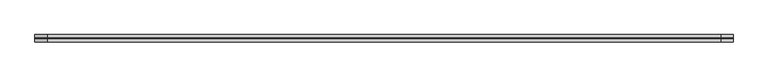
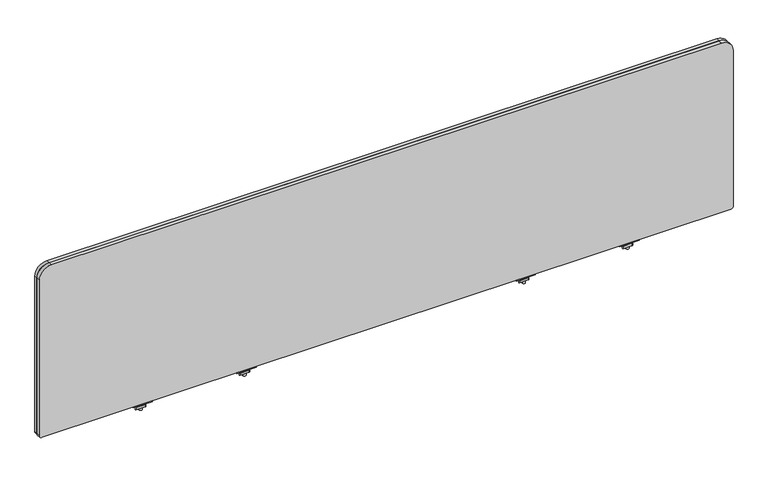
"""IFC4 building model written with IfcOpenShell, lengths in millimetres: furniture geometry."""

from ifc_helpers import new_model, si_unit, frame, origin, place, context, project, spatial, polyline, circle_curve, source, transform, mapped, element, save
from ifc_brep_helpers import plane_surface, cylinder_surface, revolved_surface, advanced_brep


def furniture_3d24dec9(model_context):
    return source(origin(), model_context, "Body", "AdvancedBrep", [
        advanced_brep(
        [(572.3633004, -29.196837, 670.6616072), (572.3633004, -33.5530914, 671.3021931), (572.3633004, -43.8905804, 671.3021931), (572.3633004, -48.246837, 670.6616072), (572.3633004, -48.246837, 668.8074326), (572.3633004, -29.196837, 668.8074326), (521.5633035, -29.196837, 670.6616072), (521.5633035, -29.196837, 668.8074326), (521.5633035, -48.246837, 668.8074326), (521.5633035, -48.246837, 670.6616072), (521.5633035, -43.8905804, 671.3021931), (521.5633035, -33.5530914, 671.3021931), (542.8705233, -38.7342719, 668.8074326), (550.8534767, -38.7342719, 668.8074326), (550.8534767, -38.7342719, 671.3021931), (542.8705233, -38.7342719, 671.3021931), (542.8705233, -38.7342719, 650.2879234), (550.8534767, -38.7342719, 650.2879234), (542.8705233, -38.7342719, 676.3883652), (550.8534767, -38.7342719, 676.3883652), (542.8705233, -38.7342719, 665.4211567), (550.8534767, -38.7342719, 665.4211567), (550.8534767, -38.7342719, 659.0711809), (542.8705233, -38.7342719, 659.0711809), (536.5459918, -33.0068357, 665.4211567), (530.3868209, -43.6748356, 665.4211567), (531.7066433, -45.9608347, 665.4211567), (554.7392346, -45.9608347, 665.4211567), (557.3788771, -44.4368361, 665.4211567), (563.5380487, -33.7688351, 665.4211567), (562.2182256, -31.4828349, 665.4211567), (539.1856383, -31.4828349, 665.4211567), (536.5459918, -33.0068357, 659.0711809), (539.1856383, -31.4828349, 659.0711809), (562.2182256, -31.4828349, 659.0711809), (563.5380487, -33.7688351, 659.0711809), (557.3788771, -44.4368361, 659.0711809), (554.7392346, -45.9608347, 659.0711809), (531.7066433, -45.9608347, 659.0711809), (530.3868209, -43.6748356, 659.0711809)],
        [
            (0, 1),
            (1, 2),
            (2, 3),
            (3, 4),
            (4, 5),
            (5, 0),
            (6, 7),
            (7, 8),
            (8, 9),
            (9, 10),
            (10, 11),
            (11, 6),
            (5, 7),
            (6, 0),
            (4, 8),
            (12, 13, circle_curve(frame((546.862, -38.7342719, 668.8074326), z_axis=(0.0, 0.0, 1.0), x_axis=(1.0, 0.0, 0.0)), 3.9914767)),
            (13, 12, circle_curve(frame((546.862, -38.7342719, 668.8074326), z_axis=(0.0, 0.0, 1.0), x_axis=(1.0, 0.0, 0.0)), 3.9914767)),
            (3, 9),
            (2, 10),
            (1, 11),
            (14, 15, circle_curve(frame((546.862, -38.7342719, 671.3021931), z_axis=(0.0, 0.0, -1.0), x_axis=(1.0, 0.0, 0.0)), 3.9914767)),
            (15, 14, circle_curve(frame((546.862, -38.7342719, 671.3021931), z_axis=(0.0, 0.0, -1.0), x_axis=(1.0, 0.0, 0.0)), 3.9914767)),
            (16, 17, circle_curve(frame((546.862, -38.7342719, 650.2879234), z_axis=(0.0, 0.0, -1.0), x_axis=(1.0, 0.0, 0.0)), 3.9914767)),
            (17, 16, circle_curve(frame((546.862, -38.7342719, 650.2879234), z_axis=(0.0, 0.0, -1.0), x_axis=(1.0, 0.0, 0.0)), 3.9914767)),
            (18, 19, circle_curve(frame((546.862, -38.7342719, 676.3883652), z_axis=(0.0, 0.0, 1.0), x_axis=(1.0, 0.0, 0.0)), 3.9914767)),
            (19, 18, circle_curve(frame((546.862, -38.7342719, 676.3883652), z_axis=(0.0, 0.0, 1.0), x_axis=(1.0, 0.0, 0.0)), 3.9914767)),
            (12, 20),
            (20, 21, circle_curve(frame((546.862, -38.7342719, 665.4211567), z_axis=(0.0, 0.0, 1.0), x_axis=(1.0, 0.0, 0.0)), 3.9914767)),
            (21, 13),
            (17, 22),
            (22, 23, circle_curve(frame((546.862, -38.7342719, 659.0711809), z_axis=(0.0, 0.0, -1.0), x_axis=(1.0, 0.0, 0.0)), 3.9914767)),
            (23, 16),
            (18, 15),
            (14, 19),
            (21, 20, circle_curve(frame((546.862, -38.7342719, 665.4211567), z_axis=(0.0, 0.0, 1.0), x_axis=(1.0, 0.0, 0.0)), 3.9914767)),
            (23, 22, circle_curve(frame((546.862, -38.7342719, 659.0711809), z_axis=(0.0, 0.0, -1.0), x_axis=(1.0, 0.0, 0.0)), 3.9914767)),
            (24, 25),
            (25, 26, circle_curve(frame((531.7066433, -44.4368352, 665.4211567), z_axis=(0.0, 0.0, 1.0), x_axis=(1.0, 0.0, 0.0)), 1.5239995)),
            (26, 27),
            (27, 28, circle_curve(frame((554.7392346, -42.9128382, 665.4211567), z_axis=(0.0, 0.0, 1.0), x_axis=(1.0, 0.0, 0.0)), 3.0479965)),
            (28, 29),
            (29, 30, circle_curve(frame((562.2182256, -33.0068351, 665.4211567), z_axis=(0.0, 0.0, 1.0), x_axis=(1.0, 0.0, 0.0)), 1.5240003)),
            (30, 31),
            (31, 24, circle_curve(frame((539.1856383, -34.5308359, 665.4211567), z_axis=(0.0, 0.0, 1.0), x_axis=(1.0, 0.0, 0.0)), 3.048001)),
            (32, 33, circle_curve(frame((539.1856383, -34.5308359, 659.0711809), z_axis=(0.0, 0.0, -1.0), x_axis=(1.0, 0.0, 0.0)), 3.048001)),
            (33, 34),
            (34, 35, circle_curve(frame((562.2182256, -33.0068351, 659.0711809), z_axis=(0.0, 0.0, -1.0), x_axis=(1.0, 0.0, 0.0)), 1.5240003)),
            (35, 36),
            (36, 37, circle_curve(frame((554.7392346, -42.9128382, 659.0711809), z_axis=(0.0, 0.0, -1.0), x_axis=(1.0, 0.0, 0.0)), 3.0479965)),
            (37, 38),
            (38, 39, circle_curve(frame((531.7066433, -44.4368352, 659.0711809), z_axis=(0.0, 0.0, -1.0), x_axis=(1.0, 0.0, 0.0)), 1.5239995)),
            (39, 32),
            (24, 32),
            (39, 25),
            (38, 26),
            (37, 27),
            (36, 28),
            (35, 29),
            (34, 30),
            (33, 31),
        ],
        [
            plane_surface(frame((572.3633004, -33.5530914, 671.3021931), z_axis=(1.0000000000000002, 0.0, 0.0), x_axis=(0.0, -0.9893604345476915, 0.14548515577749913))),
            plane_surface(frame((521.5633035, -33.5530914, 671.3021931), z_axis=(-1.0000000000000002, 0.0, 0.0), x_axis=(0.0, 0.9893604345476915, -0.14548515577749913))),
            plane_surface(frame((572.3633004, -29.196837, 668.8074326), z_axis=(0.0, 1.0, 0.0), x_axis=(-1.0, 0.0, 0.0))),
            plane_surface(frame((572.3633004, -48.246837, 668.8074326), z_axis=(0.0, 0.0, -1.0), x_axis=(-1.0, 0.0, 0.0))),
            plane_surface(frame((572.3633004, -48.246837, 670.6616072), z_axis=(0.0, -1.0, 0.0), x_axis=(-1.0, 0.0, 0.0))),
            plane_surface(frame((572.3633004, -43.8905804, 671.3021931), z_axis=(0.0, -0.1454850815406733, 0.9893604454641917), x_axis=(-1.0, 0.0, 0.0))),
            plane_surface(frame((572.3633004, -33.5530914, 671.3021931), z_axis=(0.0, 0.0, 1.0), x_axis=(-1.0, 0.0, 0.0))),
            plane_surface(frame((572.3633004, -29.196837, 670.6616072), z_axis=(0.0, 0.14548515577749913, 0.9893604345476915), x_axis=(-1.0, 0.0, 0.0))),
            plane_surface(frame((550.8534767, -38.7342719, 650.2879234), z_axis=(0.0, 0.0, -1.0), x_axis=(0.0, -1.0, 0.0))),
            plane_surface(frame((550.8534767, -38.7342719, 676.3883652), z_axis=(0.0, 0.0, 1.0), x_axis=(0.0, 1.0, 0.0))),
            cylinder_surface(frame((546.862, -38.7342719, 650.2879234), z_axis=(0.0, 0.0, 1.0), x_axis=(1.0, 0.0, 0.0)), 3.9914767),
            plane_surface(frame((530.3868201, -43.6748369, 665.4211567), z_axis=(0.0, 0.0, 1.0000000000000002), x_axis=(-0.4999998964528706, -0.8660254635673935, 0.0))),
            plane_surface(frame((530.3868201, -43.6748369, 659.0711809), z_axis=(0.0, 0.0, -1.0000000000000002), x_axis=(0.4999998964528706, 0.8660254635673935, 0.0))),
            plane_surface(frame((536.5459918, -33.0068357, 665.4211567), z_axis=(-0.8660254635673935, 0.4999998964528706, 0.0), x_axis=(0.0, 0.0, -1.0))),
            cylinder_surface(frame((531.7066433, -44.4368352, 659.0711809), z_axis=(0.0, 0.0, 1.0), x_axis=(1.0, 0.0, 0.0)), 1.5239995),
            plane_surface(frame((531.7066433, -45.9608347, 665.4211567), z_axis=(0.0, -1.0, 0.0), x_axis=(0.0, 0.0, -1.0))),
            cylinder_surface(frame((554.7392346, -42.9128382, 659.0711809), z_axis=(0.0, 0.0, 1.0), x_axis=(1.0, 0.0, 0.0)), 3.0479965),
            plane_surface(frame((557.3788771, -44.4368361, 665.4211567), z_axis=(0.8660254635674228, -0.4999998964528197, 0.0), x_axis=(0.0, 0.0, -1.0))),
            cylinder_surface(frame((562.2182256, -33.0068351, 659.0711809), z_axis=(0.0, 0.0, 1.0), x_axis=(1.0, 0.0, 0.0)), 1.5240003),
            plane_surface(frame((562.2182256, -31.4828349, 665.4211567), z_axis=(0.0, 1.0, 0.0), x_axis=(0.0, 0.0, -1.0))),
            cylinder_surface(frame((539.1856383, -34.5308359, 659.0711809), z_axis=(0.0, 0.0, 1.0), x_axis=(1.0, 0.0, 0.0)), 3.048001),
        ],
        [
            (0, [[1, 2, 3, 4, 5, 6]]),
            (1, [[7, 8, 9, 10, 11, 12]]),
            (2, [[-6, 13, -7, 14]]),
            (3, [[-5, 15, -8, -13], [16, 17]]),
            (4, [[-4, 18, -9, -15]]),
            (5, [[-3, 19, -10, -18]]),
            (6, [[-2, 20, -11, -19], [21, 22]]),
            (7, [[-1, -14, -12, -20]]),
            (8, [[23, 24]]),
            (9, [[25, 26]]),
            (10, [[-16, 27, 28, 29]]),
            (10, [[-24, 30, 31, 32]]),
            (10, [[-25, 33, -21, 34]]),
            (10, [[-17, -29, 35, -27]]),
            (10, [[-23, -32, 36, -30]]),
            (10, [[-26, -34, -22, -33]]),
            (11, [[37, 38, 39, 40, 41, 42, 43, 44], [-28, -35]]),
            (12, [[45, 46, 47, 48, 49, 50, 51, 52], [-31, -36]]),
            (13, [[-37, 53, -52, 54]]),
            (14, [[-38, -54, -51, 55]]),
            (15, [[-39, -55, -50, 56]]),
            (16, [[-40, -56, -49, 57]]),
            (17, [[-41, -57, -48, 58]]),
            (18, [[-42, -58, -47, 59]]),
            (19, [[-43, -59, -46, 60]]),
            (20, [[-44, -60, -45, -53]]),
        ],
    ),
        advanced_brep(
        [(1580.2353004, -29.196837, 670.6616072), (1580.2353004, -33.5530914, 671.3021931), (1580.2353004, -43.8905804, 671.3021931), (1580.2353004, -48.246837, 670.6616072), (1580.2353004, -48.246837, 668.8074326), (1580.2353004, -29.196837, 668.8074326), (1529.4353035, -29.196837, 670.6616072), (1529.4353035, -29.196837, 668.8074326), (1529.4353035, -48.246837, 668.8074326), (1529.4353035, -48.246837, 670.6616072), (1529.4353035, -43.8905804, 671.3021931), (1529.4353035, -33.5530914, 671.3021931), (1550.7425233, -38.7342719, 668.8074326), (1558.7254767, -38.7342719, 668.8074326), (1558.7254767, -38.7342719, 671.3021931), (1550.7425233, -38.7342719, 671.3021931), (1550.7425233, -38.7342719, 650.2879234), (1558.7254767, -38.7342719, 650.2879234), (1550.7425233, -38.7342719, 676.3883652), (1558.7254767, -38.7342719, 676.3883652), (1550.7425233, -38.7342719, 665.4211567), (1558.7254767, -38.7342719, 665.4211567), (1558.7254767, -38.7342719, 659.0711809), (1550.7425233, -38.7342719, 659.0711809), (1544.4179918, -33.0068357, 665.4211567), (1538.2588209, -43.6748356, 665.4211567), (1539.5786433, -45.9608347, 665.4211567), (1562.6112346, -45.9608347, 665.4211567), (1565.2508771, -44.4368361, 665.4211567), (1571.4100487, -33.7688351, 665.4211567), (1570.0902256, -31.4828349, 665.4211567), (1547.0576383, -31.4828349, 665.4211567), (1544.4179918, -33.0068357, 659.0711809), (1547.0576383, -31.4828349, 659.0711809), (1570.0902256, -31.4828349, 659.0711809), (1571.4100487, -33.7688351, 659.0711809), (1565.2508771, -44.4368361, 659.0711809), (1562.6112346, -45.9608347, 659.0711809), (1539.5786433, -45.9608347, 659.0711809), (1538.2588209, -43.6748356, 659.0711809)],
        [
            (0, 1),
            (1, 2),
            (2, 3),
            (3, 4),
            (4, 5),
            (5, 0),
            (6, 7),
            (7, 8),
            (8, 9),
            (9, 10),
            (10, 11),
            (11, 6),
            (5, 7),
            (6, 0),
            (4, 8),
            (12, 13, circle_curve(frame((1554.734, -38.7342719, 668.8074326), z_axis=(0.0, 0.0, 1.0), x_axis=(1.0, 0.0, 0.0)), 3.9914767)),
            (13, 12, circle_curve(frame((1554.734, -38.7342719, 668.8074326), z_axis=(0.0, 0.0, 1.0), x_axis=(1.0, 0.0, 0.0)), 3.9914767)),
            (3, 9),
            (2, 10),
            (1, 11),
            (14, 15, circle_curve(frame((1554.734, -38.7342719, 671.3021931), z_axis=(0.0, 0.0, -1.0), x_axis=(1.0, 0.0, 0.0)), 3.9914767)),
            (15, 14, circle_curve(frame((1554.734, -38.7342719, 671.3021931), z_axis=(0.0, 0.0, -1.0), x_axis=(1.0, 0.0, 0.0)), 3.9914767)),
            (16, 17, circle_curve(frame((1554.734, -38.7342719, 650.2879234), z_axis=(0.0, 0.0, -1.0), x_axis=(1.0, 0.0, 0.0)), 3.9914767)),
            (17, 16, circle_curve(frame((1554.734, -38.7342719, 650.2879234), z_axis=(0.0, 0.0, -1.0), x_axis=(1.0, 0.0, 0.0)), 3.9914767)),
            (18, 19, circle_curve(frame((1554.734, -38.7342719, 676.3883652), z_axis=(0.0, 0.0, 1.0), x_axis=(1.0, 0.0, 0.0)), 3.9914767)),
            (19, 18, circle_curve(frame((1554.734, -38.7342719, 676.3883652), z_axis=(0.0, 0.0, 1.0), x_axis=(1.0, 0.0, 0.0)), 3.9914767)),
            (12, 20),
            (20, 21, circle_curve(frame((1554.734, -38.7342719, 665.4211567), z_axis=(0.0, 0.0, 1.0), x_axis=(1.0, 0.0, 0.0)), 3.9914767)),
            (21, 13),
            (17, 22),
            (22, 23, circle_curve(frame((1554.734, -38.7342719, 659.0711809), z_axis=(0.0, 0.0, -1.0), x_axis=(1.0, 0.0, 0.0)), 3.9914767)),
            (23, 16),
            (18, 15),
            (14, 19),
            (21, 20, circle_curve(frame((1554.734, -38.7342719, 665.4211567), z_axis=(0.0, 0.0, 1.0), x_axis=(1.0, 0.0, 0.0)), 3.9914767)),
            (23, 22, circle_curve(frame((1554.734, -38.7342719, 659.0711809), z_axis=(0.0, 0.0, -1.0), x_axis=(1.0, 0.0, 0.0)), 3.9914767)),
            (24, 25),
            (25, 26, circle_curve(frame((1539.5786433, -44.4368352, 665.4211567), z_axis=(0.0, 0.0, 1.0), x_axis=(1.0, 0.0, 0.0)), 1.5239995)),
            (26, 27),
            (27, 28, circle_curve(frame((1562.6112346, -42.9128382, 665.4211567), z_axis=(0.0, 0.0, 1.0), x_axis=(1.0, 0.0, 0.0)), 3.0479965)),
            (28, 29),
            (29, 30, circle_curve(frame((1570.0902256, -33.0068351, 665.4211567), z_axis=(0.0, 0.0, 1.0), x_axis=(1.0, 0.0, 0.0)), 1.5240003)),
            (30, 31),
            (31, 24, circle_curve(frame((1547.0576383, -34.5308359, 665.4211567), z_axis=(0.0, 0.0, 1.0), x_axis=(1.0, 0.0, 0.0)), 3.048001)),
            (32, 33, circle_curve(frame((1547.0576383, -34.5308359, 659.0711809), z_axis=(0.0, 0.0, -1.0), x_axis=(1.0, 0.0, 0.0)), 3.048001)),
            (33, 34),
            (34, 35, circle_curve(frame((1570.0902256, -33.0068351, 659.0711809), z_axis=(0.0, 0.0, -1.0), x_axis=(1.0, 0.0, 0.0)), 1.5240003)),
            (35, 36),
            (36, 37, circle_curve(frame((1562.6112346, -42.9128382, 659.0711809), z_axis=(0.0, 0.0, -1.0), x_axis=(1.0, 0.0, 0.0)), 3.0479965)),
            (37, 38),
            (38, 39, circle_curve(frame((1539.5786433, -44.4368352, 659.0711809), z_axis=(0.0, 0.0, -1.0), x_axis=(1.0, 0.0, 0.0)), 1.5239995)),
            (39, 32),
            (24, 32),
            (39, 25),
            (38, 26),
            (37, 27),
            (36, 28),
            (35, 29),
            (34, 30),
            (33, 31),
        ],
        [
            plane_surface(frame((1580.2353004, -33.5530914, 671.3021931), z_axis=(1.0000000000000002, 0.0, 0.0), x_axis=(0.0, -0.9893604345476915, 0.14548515577749913))),
            plane_surface(frame((1529.4353035, -33.5530914, 671.3021931), z_axis=(-1.0000000000000002, 0.0, 0.0), x_axis=(0.0, 0.9893604345476915, -0.14548515577749913))),
            plane_surface(frame((1580.2353004, -29.196837, 668.8074326), z_axis=(0.0, 1.0, 0.0), x_axis=(-1.0, 0.0, 0.0))),
            plane_surface(frame((1580.2353004, -48.246837, 668.8074326), z_axis=(0.0, 0.0, -1.0), x_axis=(-1.0, 0.0, 0.0))),
            plane_surface(frame((1580.2353004, -48.246837, 670.6616072), z_axis=(0.0, -1.0, 0.0), x_axis=(-1.0, 0.0, 0.0))),
            plane_surface(frame((1580.2353004, -43.8905804, 671.3021931), z_axis=(0.0, -0.1454850815406733, 0.9893604454641917), x_axis=(-1.0, 0.0, 0.0))),
            plane_surface(frame((1580.2353004, -33.5530914, 671.3021931), z_axis=(0.0, 0.0, 1.0), x_axis=(-1.0, 0.0, 0.0))),
            plane_surface(frame((1580.2353004, -29.196837, 670.6616072), z_axis=(0.0, 0.14548515577749913, 0.9893604345476915), x_axis=(-1.0, 0.0, 0.0))),
            plane_surface(frame((1558.7254767, -38.7342719, 650.2879234), z_axis=(0.0, 0.0, -1.0), x_axis=(0.0, -1.0, 0.0))),
            plane_surface(frame((1558.7254767, -38.7342719, 676.3883652), z_axis=(0.0, 0.0, 1.0), x_axis=(0.0, 1.0, 0.0))),
            cylinder_surface(frame((1554.734, -38.7342719, 650.2879234), z_axis=(0.0, 0.0, 1.0), x_axis=(1.0, 0.0, 0.0)), 3.9914767),
            plane_surface(frame((1538.2588201, -43.6748369, 665.4211567), z_axis=(0.0, 0.0, 1.0000000000000002), x_axis=(-0.4999998964528706, -0.8660254635673935, 0.0))),
            plane_surface(frame((1538.2588201, -43.6748369, 659.0711809), z_axis=(0.0, 0.0, -1.0000000000000002), x_axis=(0.4999998964528706, 0.8660254635673935, 0.0))),
            plane_surface(frame((1544.4179918, -33.0068357, 665.4211567), z_axis=(-0.8660254635673935, 0.4999998964528706, 0.0), x_axis=(0.0, 0.0, -1.0))),
            cylinder_surface(frame((1539.5786433, -44.4368352, 659.0711809), z_axis=(0.0, 0.0, 1.0), x_axis=(1.0, 0.0, 0.0)), 1.5239995),
            plane_surface(frame((1539.5786433, -45.9608347, 665.4211567), z_axis=(0.0, -1.0, 0.0), x_axis=(0.0, 0.0, -1.0))),
            cylinder_surface(frame((1562.6112346, -42.9128382, 659.0711809), z_axis=(0.0, 0.0, 1.0), x_axis=(1.0, 0.0, 0.0)), 3.0479965),
            plane_surface(frame((1565.2508771, -44.4368361, 665.4211567), z_axis=(0.8660254635674228, -0.4999998964528197, 0.0), x_axis=(0.0, 0.0, -1.0))),
            cylinder_surface(frame((1570.0902256, -33.0068351, 659.0711809), z_axis=(0.0, 0.0, 1.0), x_axis=(1.0, 0.0, 0.0)), 1.5240003),
            plane_surface(frame((1570.0902256, -31.4828349, 665.4211567), z_axis=(0.0, 1.0, 0.0), x_axis=(0.0, 0.0, -1.0))),
            cylinder_surface(frame((1547.0576383, -34.5308359, 659.0711809), z_axis=(0.0, 0.0, 1.0), x_axis=(1.0, 0.0, 0.0)), 3.048001),
        ],
        [
            (0, [[1, 2, 3, 4, 5, 6]]),
            (1, [[7, 8, 9, 10, 11, 12]]),
            (2, [[-6, 13, -7, 14]]),
            (3, [[-5, 15, -8, -13], [16, 17]]),
            (4, [[-4, 18, -9, -15]]),
            (5, [[-3, 19, -10, -18]]),
            (6, [[-2, 20, -11, -19], [21, 22]]),
            (7, [[-1, -14, -12, -20]]),
            (8, [[23, 24]]),
            (9, [[25, 26]]),
            (10, [[-16, 27, 28, 29]]),
            (10, [[-24, 30, 31, 32]]),
            (10, [[-25, 33, -21, 34]]),
            (10, [[-17, -29, 35, -27]]),
            (10, [[-23, -32, 36, -30]]),
            (10, [[-26, -34, -22, -33]]),
            (11, [[37, 38, 39, 40, 41, 42, 43, 44], [-28, -35]]),
            (12, [[45, 46, 47, 48, 49, 50, 51, 52], [-31, -36]]),
            (13, [[-37, 53, -52, 54]]),
            (14, [[-38, -54, -51, 55]]),
            (15, [[-39, -55, -50, 56]]),
            (16, [[-40, -56, -49, 57]]),
            (17, [[-41, -57, -48, 58]]),
            (18, [[-42, -58, -47, 59]]),
            (19, [[-43, -59, -46, 60]]),
            (20, [[-44, -60, -45, -53]]),
        ],
    ),
        advanced_brep(
        [(1307.4393004, -29.196837, 670.6616072), (1307.4393004, -33.5530914, 671.3021931), (1307.4393004, -43.8905804, 671.3021931), (1307.4393004, -48.246837, 670.6616072), (1307.4393004, -48.246837, 668.8074326), (1307.4393004, -29.196837, 668.8074326), (1256.6393035, -29.196837, 670.6616072), (1256.6393035, -29.196837, 668.8074326), (1256.6393035, -48.246837, 668.8074326), (1256.6393035, -48.246837, 670.6616072), (1256.6393035, -43.8905804, 671.3021931), (1256.6393035, -33.5530914, 671.3021931), (1277.9465233, -38.7342719, 668.8074326), (1285.9294767, -38.7342719, 668.8074326), (1285.9294767, -38.7342719, 671.3021931), (1277.9465233, -38.7342719, 671.3021931), (1277.9465233, -38.7342719, 650.2879234), (1285.9294767, -38.7342719, 650.2879234), (1277.9465233, -38.7342719, 676.3883652), (1285.9294767, -38.7342719, 676.3883652), (1277.9465233, -38.7342719, 665.4211567), (1285.9294767, -38.7342719, 665.4211567), (1285.9294767, -38.7342719, 659.0711809), (1277.9465233, -38.7342719, 659.0711809), (1271.6219918, -33.0068357, 665.4211567), (1265.4628209, -43.6748356, 665.4211567), (1266.7826433, -45.9608347, 665.4211567), (1289.8152346, -45.9608347, 665.4211567), (1292.4548771, -44.4368361, 665.4211567), (1298.6140487, -33.7688351, 665.4211567), (1297.2942256, -31.4828349, 665.4211567), (1274.2616383, -31.4828349, 665.4211567), (1271.6219918, -33.0068357, 659.0711809), (1274.2616383, -31.4828349, 659.0711809), (1297.2942256, -31.4828349, 659.0711809), (1298.6140487, -33.7688351, 659.0711809), (1292.4548771, -44.4368361, 659.0711809), (1289.8152346, -45.9608347, 659.0711809), (1266.7826433, -45.9608347, 659.0711809), (1265.4628209, -43.6748356, 659.0711809)],
        [
            (0, 1),
            (1, 2),
            (2, 3),
            (3, 4),
            (4, 5),
            (5, 0),
            (6, 7),
            (7, 8),
            (8, 9),
            (9, 10),
            (10, 11),
            (11, 6),
            (5, 7),
            (6, 0),
            (4, 8),
            (12, 13, circle_curve(frame((1281.938, -38.7342719, 668.8074326), z_axis=(0.0, 0.0, 1.0), x_axis=(1.0, 0.0, 0.0)), 3.9914767)),
            (13, 12, circle_curve(frame((1281.938, -38.7342719, 668.8074326), z_axis=(0.0, 0.0, 1.0), x_axis=(1.0, 0.0, 0.0)), 3.9914767)),
            (3, 9),
            (2, 10),
            (1, 11),
            (14, 15, circle_curve(frame((1281.938, -38.7342719, 671.3021931), z_axis=(0.0, 0.0, -1.0), x_axis=(1.0, 0.0, 0.0)), 3.9914767)),
            (15, 14, circle_curve(frame((1281.938, -38.7342719, 671.3021931), z_axis=(0.0, 0.0, -1.0), x_axis=(1.0, 0.0, 0.0)), 3.9914767)),
            (16, 17, circle_curve(frame((1281.938, -38.7342719, 650.2879234), z_axis=(0.0, 0.0, -1.0), x_axis=(1.0, 0.0, 0.0)), 3.9914767)),
            (17, 16, circle_curve(frame((1281.938, -38.7342719, 650.2879234), z_axis=(0.0, 0.0, -1.0), x_axis=(1.0, 0.0, 0.0)), 3.9914767)),
            (18, 19, circle_curve(frame((1281.938, -38.7342719, 676.3883652), z_axis=(0.0, 0.0, 1.0), x_axis=(1.0, 0.0, 0.0)), 3.9914767)),
            (19, 18, circle_curve(frame((1281.938, -38.7342719, 676.3883652), z_axis=(0.0, 0.0, 1.0), x_axis=(1.0, 0.0, 0.0)), 3.9914767)),
            (12, 20),
            (20, 21, circle_curve(frame((1281.938, -38.7342719, 665.4211567), z_axis=(0.0, 0.0, 1.0), x_axis=(1.0, 0.0, 0.0)), 3.9914767)),
            (21, 13),
            (17, 22),
            (22, 23, circle_curve(frame((1281.938, -38.7342719, 659.0711809), z_axis=(0.0, 0.0, -1.0), x_axis=(1.0, 0.0, 0.0)), 3.9914767)),
            (23, 16),
            (18, 15),
            (14, 19),
            (21, 20, circle_curve(frame((1281.938, -38.7342719, 665.4211567), z_axis=(0.0, 0.0, 1.0), x_axis=(1.0, 0.0, 0.0)), 3.9914767)),
            (23, 22, circle_curve(frame((1281.938, -38.7342719, 659.0711809), z_axis=(0.0, 0.0, -1.0), x_axis=(1.0, 0.0, 0.0)), 3.9914767)),
            (24, 25),
            (25, 26, circle_curve(frame((1266.7826433, -44.4368352, 665.4211567), z_axis=(0.0, 0.0, 1.0), x_axis=(1.0, 0.0, 0.0)), 1.5239995)),
            (26, 27),
            (27, 28, circle_curve(frame((1289.8152346, -42.9128382, 665.4211567), z_axis=(0.0, 0.0, 1.0), x_axis=(1.0, 0.0, 0.0)), 3.0479965)),
            (28, 29),
            (29, 30, circle_curve(frame((1297.2942256, -33.0068351, 665.4211567), z_axis=(0.0, 0.0, 1.0), x_axis=(1.0, 0.0, 0.0)), 1.5240003)),
            (30, 31),
            (31, 24, circle_curve(frame((1274.2616383, -34.5308359, 665.4211567), z_axis=(0.0, 0.0, 1.0), x_axis=(1.0, 0.0, 0.0)), 3.048001)),
            (32, 33, circle_curve(frame((1274.2616383, -34.5308359, 659.0711809), z_axis=(0.0, 0.0, -1.0), x_axis=(1.0, 0.0, 0.0)), 3.048001)),
            (33, 34),
            (34, 35, circle_curve(frame((1297.2942256, -33.0068351, 659.0711809), z_axis=(0.0, 0.0, -1.0), x_axis=(1.0, 0.0, 0.0)), 1.5240003)),
            (35, 36),
            (36, 37, circle_curve(frame((1289.8152346, -42.9128382, 659.0711809), z_axis=(0.0, 0.0, -1.0), x_axis=(1.0, 0.0, 0.0)), 3.0479965)),
            (37, 38),
            (38, 39, circle_curve(frame((1266.7826433, -44.4368352, 659.0711809), z_axis=(0.0, 0.0, -1.0), x_axis=(1.0, 0.0, 0.0)), 1.5239995)),
            (39, 32),
            (24, 32),
            (39, 25),
            (38, 26),
            (37, 27),
            (36, 28),
            (35, 29),
            (34, 30),
            (33, 31),
        ],
        [
            plane_surface(frame((1307.4393004, -33.5530914, 671.3021931), z_axis=(1.0000000000000002, 0.0, 0.0), x_axis=(0.0, -0.9893604345476915, 0.14548515577749913))),
            plane_surface(frame((1256.6393035, -33.5530914, 671.3021931), z_axis=(-1.0000000000000002, 0.0, 0.0), x_axis=(0.0, 0.9893604345476915, -0.14548515577749913))),
            plane_surface(frame((1307.4393004, -29.196837, 668.8074326), z_axis=(0.0, 1.0, 0.0), x_axis=(-1.0, 0.0, 0.0))),
            plane_surface(frame((1307.4393004, -48.246837, 668.8074326), z_axis=(0.0, 0.0, -1.0), x_axis=(-1.0, 0.0, 0.0))),
            plane_surface(frame((1307.4393004, -48.246837, 670.6616072), z_axis=(0.0, -1.0, 0.0), x_axis=(-1.0, 0.0, 0.0))),
            plane_surface(frame((1307.4393004, -43.8905804, 671.3021931), z_axis=(0.0, -0.1454850815406733, 0.9893604454641917), x_axis=(-1.0, 0.0, 0.0))),
            plane_surface(frame((1307.4393004, -33.5530914, 671.3021931), z_axis=(0.0, 0.0, 1.0), x_axis=(-1.0, 0.0, 0.0))),
            plane_surface(frame((1307.4393004, -29.196837, 670.6616072), z_axis=(0.0, 0.14548515577749913, 0.9893604345476915), x_axis=(-1.0, 0.0, 0.0))),
            plane_surface(frame((1285.9294767, -38.7342719, 650.2879234), z_axis=(0.0, 0.0, -1.0), x_axis=(0.0, -1.0, 0.0))),
            plane_surface(frame((1285.9294767, -38.7342719, 676.3883652), z_axis=(0.0, 0.0, 1.0), x_axis=(0.0, 1.0, 0.0))),
            cylinder_surface(frame((1281.938, -38.7342719, 650.2879234), z_axis=(0.0, 0.0, 1.0), x_axis=(1.0, 0.0, 0.0)), 3.9914767),
            plane_surface(frame((1265.4628201, -43.6748369, 665.4211567), z_axis=(0.0, 0.0, 1.0000000000000002), x_axis=(-0.4999998964528706, -0.8660254635673935, 0.0))),
            plane_surface(frame((1265.4628201, -43.6748369, 659.0711809), z_axis=(0.0, 0.0, -1.0000000000000002), x_axis=(0.4999998964528706, 0.8660254635673935, 0.0))),
            plane_surface(frame((1271.6219918, -33.0068357, 665.4211567), z_axis=(-0.8660254635673935, 0.4999998964528706, 0.0), x_axis=(0.0, 0.0, -1.0))),
            cylinder_surface(frame((1266.7826433, -44.4368352, 659.0711809), z_axis=(0.0, 0.0, 1.0), x_axis=(1.0, 0.0, 0.0)), 1.5239995),
            plane_surface(frame((1266.7826433, -45.9608347, 665.4211567), z_axis=(0.0, -1.0, 0.0), x_axis=(0.0, 0.0, -1.0))),
            cylinder_surface(frame((1289.8152346, -42.9128382, 659.0711809), z_axis=(0.0, 0.0, 1.0), x_axis=(1.0, 0.0, 0.0)), 3.0479965),
            plane_surface(frame((1292.4548771, -44.4368361, 665.4211567), z_axis=(0.8660254635674228, -0.4999998964528197, 0.0), x_axis=(0.0, 0.0, -1.0))),
            cylinder_surface(frame((1297.2942256, -33.0068351, 659.0711809), z_axis=(0.0, 0.0, 1.0), x_axis=(1.0, 0.0, 0.0)), 1.5240003),
            plane_surface(frame((1297.2942256, -31.4828349, 665.4211567), z_axis=(0.0, 1.0, 0.0), x_axis=(0.0, 0.0, -1.0))),
            cylinder_surface(frame((1274.2616383, -34.5308359, 659.0711809), z_axis=(0.0, 0.0, 1.0), x_axis=(1.0, 0.0, 0.0)), 3.048001),
        ],
        [
            (0, [[1, 2, 3, 4, 5, 6]]),
            (1, [[7, 8, 9, 10, 11, 12]]),
            (2, [[-6, 13, -7, 14]]),
            (3, [[-5, 15, -8, -13], [16, 17]]),
            (4, [[-4, 18, -9, -15]]),
            (5, [[-3, 19, -10, -18]]),
            (6, [[-2, 20, -11, -19], [21, 22]]),
            (7, [[-1, -14, -12, -20]]),
            (8, [[23, 24]]),
            (9, [[25, 26]]),
            (10, [[-16, 27, 28, 29]]),
            (10, [[-24, 30, 31, 32]]),
            (10, [[-25, 33, -21, 34]]),
            (10, [[-17, -29, 35, -27]]),
            (10, [[-23, -32, 36, -30]]),
            (10, [[-26, -34, -22, -33]]),
            (11, [[37, 38, 39, 40, 41, 42, 43, 44], [-28, -35]]),
            (12, [[45, 46, 47, 48, 49, 50, 51, 52], [-31, -36]]),
            (13, [[-37, 53, -52, 54]]),
            (14, [[-38, -54, -51, 55]]),
            (15, [[-39, -55, -50, 56]]),
            (16, [[-40, -56, -49, 57]]),
            (17, [[-41, -57, -48, 58]]),
            (18, [[-42, -58, -47, 59]]),
            (19, [[-43, -59, -46, 60]]),
            (20, [[-44, -60, -45, -53]]),
        ],
    ),
        advanced_brep(
        [(299.5673004, -29.196837, 670.6616072), (299.5673004, -33.5530914, 671.3021931), (299.5673004, -43.8905804, 671.3021931), (299.5673004, -48.246837, 670.6616072), (299.5673004, -48.246837, 668.8074326), (299.5673004, -29.196837, 668.8074326), (248.7673035, -29.196837, 670.6616072), (248.7673035, -29.196837, 668.8074326), (248.7673035, -48.246837, 668.8074326), (248.7673035, -48.246837, 670.6616072), (248.7673035, -43.8905804, 671.3021931), (248.7673035, -33.5530914, 671.3021931), (270.0745233, -38.7342719, 668.8074326), (278.0574767, -38.7342719, 668.8074326), (278.0574767, -38.7342719, 671.3021931), (270.0745233, -38.7342719, 671.3021931), (270.0745233, -38.7342719, 650.2879234), (278.0574767, -38.7342719, 650.2879234), (270.0745233, -38.7342719, 676.3883652), (278.0574767, -38.7342719, 676.3883652), (270.0745233, -38.7342719, 665.4211567), (278.0574767, -38.7342719, 665.4211567), (278.0574767, -38.7342719, 659.0711809), (270.0745233, -38.7342719, 659.0711809), (263.7499918, -33.0068357, 665.4211567), (257.5908209, -43.6748356, 665.4211567), (258.9106433, -45.9608347, 665.4211567), (281.9432346, -45.9608347, 665.4211567), (284.5828771, -44.4368361, 665.4211567), (290.7420487, -33.7688351, 665.4211567), (289.4222256, -31.4828349, 665.4211567), (266.3896383, -31.4828349, 665.4211567), (263.7499918, -33.0068357, 659.0711809), (266.3896383, -31.4828349, 659.0711809), (289.4222256, -31.4828349, 659.0711809), (290.7420487, -33.7688351, 659.0711809), (284.5828771, -44.4368361, 659.0711809), (281.9432346, -45.9608347, 659.0711809), (258.9106433, -45.9608347, 659.0711809), (257.5908209, -43.6748356, 659.0711809)],
        [
            (0, 1),
            (1, 2),
            (2, 3),
            (3, 4),
            (4, 5),
            (5, 0),
            (6, 7),
            (7, 8),
            (8, 9),
            (9, 10),
            (10, 11),
            (11, 6),
            (5, 7),
            (6, 0),
            (4, 8),
            (12, 13, circle_curve(frame((274.066, -38.7342719, 668.8074326), z_axis=(0.0, 0.0, 1.0), x_axis=(1.0, 0.0, 0.0)), 3.9914767)),
            (13, 12, circle_curve(frame((274.066, -38.7342719, 668.8074326), z_axis=(0.0, 0.0, 1.0), x_axis=(1.0, 0.0, 0.0)), 3.9914767)),
            (3, 9),
            (2, 10),
            (1, 11),
            (14, 15, circle_curve(frame((274.066, -38.7342719, 671.3021931), z_axis=(0.0, 0.0, -1.0), x_axis=(1.0, 0.0, 0.0)), 3.9914767)),
            (15, 14, circle_curve(frame((274.066, -38.7342719, 671.3021931), z_axis=(0.0, 0.0, -1.0), x_axis=(1.0, 0.0, 0.0)), 3.9914767)),
            (16, 17, circle_curve(frame((274.066, -38.7342719, 650.2879234), z_axis=(0.0, 0.0, -1.0), x_axis=(1.0, 0.0, 0.0)), 3.9914767)),
            (17, 16, circle_curve(frame((274.066, -38.7342719, 650.2879234), z_axis=(0.0, 0.0, -1.0), x_axis=(1.0, 0.0, 0.0)), 3.9914767)),
            (18, 19, circle_curve(frame((274.066, -38.7342719, 676.3883652), z_axis=(0.0, 0.0, 1.0), x_axis=(1.0, 0.0, 0.0)), 3.9914767)),
            (19, 18, circle_curve(frame((274.066, -38.7342719, 676.3883652), z_axis=(0.0, 0.0, 1.0), x_axis=(1.0, 0.0, 0.0)), 3.9914767)),
            (12, 20),
            (20, 21, circle_curve(frame((274.066, -38.7342719, 665.4211567), z_axis=(0.0, 0.0, 1.0), x_axis=(1.0, 0.0, 0.0)), 3.9914767)),
            (21, 13),
            (17, 22),
            (22, 23, circle_curve(frame((274.066, -38.7342719, 659.0711809), z_axis=(0.0, 0.0, -1.0), x_axis=(1.0, 0.0, 0.0)), 3.9914767)),
            (23, 16),
            (18, 15),
            (14, 19),
            (21, 20, circle_curve(frame((274.066, -38.7342719, 665.4211567), z_axis=(0.0, 0.0, 1.0), x_axis=(1.0, 0.0, 0.0)), 3.9914767)),
            (23, 22, circle_curve(frame((274.066, -38.7342719, 659.0711809), z_axis=(0.0, 0.0, -1.0), x_axis=(1.0, 0.0, 0.0)), 3.9914767)),
            (24, 25),
            (25, 26, circle_curve(frame((258.9106433, -44.4368352, 665.4211567), z_axis=(0.0, 0.0, 1.0), x_axis=(1.0, 0.0, 0.0)), 1.5239995)),
            (26, 27),
            (27, 28, circle_curve(frame((281.9432346, -42.9128382, 665.4211567), z_axis=(0.0, 0.0, 1.0), x_axis=(1.0, 0.0, 0.0)), 3.0479965)),
            (28, 29),
            (29, 30, circle_curve(frame((289.4222256, -33.0068351, 665.4211567), z_axis=(0.0, 0.0, 1.0), x_axis=(1.0, 0.0, 0.0)), 1.5240003)),
            (30, 31),
            (31, 24, circle_curve(frame((266.3896383, -34.5308359, 665.4211567), z_axis=(0.0, 0.0, 1.0), x_axis=(1.0, 0.0, 0.0)), 3.048001)),
            (32, 33, circle_curve(frame((266.3896383, -34.5308359, 659.0711809), z_axis=(0.0, 0.0, -1.0), x_axis=(1.0, 0.0, 0.0)), 3.048001)),
            (33, 34),
            (34, 35, circle_curve(frame((289.4222256, -33.0068351, 659.0711809), z_axis=(0.0, 0.0, -1.0), x_axis=(1.0, 0.0, 0.0)), 1.5240003)),
            (35, 36),
            (36, 37, circle_curve(frame((281.9432346, -42.9128382, 659.0711809), z_axis=(0.0, 0.0, -1.0), x_axis=(1.0, 0.0, 0.0)), 3.0479965)),
            (37, 38),
            (38, 39, circle_curve(frame((258.9106433, -44.4368352, 659.0711809), z_axis=(0.0, 0.0, -1.0), x_axis=(1.0, 0.0, 0.0)), 1.5239995)),
            (39, 32),
            (24, 32),
            (39, 25),
            (38, 26),
            (37, 27),
            (36, 28),
            (35, 29),
            (34, 30),
            (33, 31),
        ],
        [
            plane_surface(frame((299.5673004, -33.5530914, 671.3021931), z_axis=(1.0000000000000002, 0.0, 0.0), x_axis=(0.0, -0.9893604345476915, 0.14548515577749913))),
            plane_surface(frame((248.7673035, -33.5530914, 671.3021931), z_axis=(-1.0000000000000002, 0.0, 0.0), x_axis=(0.0, 0.9893604345476915, -0.14548515577749913))),
            plane_surface(frame((299.5673004, -29.196837, 668.8074326), z_axis=(0.0, 1.0, 0.0), x_axis=(-1.0, 0.0, 0.0))),
            plane_surface(frame((299.5673004, -48.246837, 668.8074326), z_axis=(0.0, 0.0, -1.0), x_axis=(-1.0, 0.0, 0.0))),
            plane_surface(frame((299.5673004, -48.246837, 670.6616072), z_axis=(0.0, -1.0, 0.0), x_axis=(-1.0, 0.0, 0.0))),
            plane_surface(frame((299.5673004, -43.8905804, 671.3021931), z_axis=(0.0, -0.1454850815406733, 0.9893604454641917), x_axis=(-1.0, 0.0, 0.0))),
            plane_surface(frame((299.5673004, -33.5530914, 671.3021931), z_axis=(0.0, 0.0, 1.0), x_axis=(-1.0, 0.0, 0.0))),
            plane_surface(frame((299.5673004, -29.196837, 670.6616072), z_axis=(0.0, 0.14548515577749913, 0.9893604345476915), x_axis=(-1.0, 0.0, 0.0))),
            plane_surface(frame((278.0574767, -38.7342719, 650.2879234), z_axis=(0.0, 0.0, -1.0), x_axis=(0.0, -1.0, 0.0))),
            plane_surface(frame((278.0574767, -38.7342719, 676.3883652), z_axis=(0.0, 0.0, 1.0), x_axis=(0.0, 1.0, 0.0))),
            cylinder_surface(frame((274.066, -38.7342719, 650.2879234), z_axis=(0.0, 0.0, 1.0), x_axis=(1.0, 0.0, 0.0)), 3.9914767),
            plane_surface(frame((257.5908201, -43.6748369, 665.4211567), z_axis=(0.0, 0.0, 1.0000000000000002), x_axis=(-0.4999998964528706, -0.8660254635673935, 0.0))),
            plane_surface(frame((257.5908201, -43.6748369, 659.0711809), z_axis=(0.0, 0.0, -1.0000000000000002), x_axis=(0.4999998964528706, 0.8660254635673935, 0.0))),
            plane_surface(frame((263.7499918, -33.0068357, 665.4211567), z_axis=(-0.8660254635673935, 0.4999998964528706, 0.0), x_axis=(0.0, 0.0, -1.0))),
            cylinder_surface(frame((258.9106433, -44.4368352, 659.0711809), z_axis=(0.0, 0.0, 1.0), x_axis=(1.0, 0.0, 0.0)), 1.5239995),
            plane_surface(frame((258.9106433, -45.9608347, 665.4211567), z_axis=(0.0, -1.0, 0.0), x_axis=(0.0, 0.0, -1.0))),
            cylinder_surface(frame((281.9432346, -42.9128382, 659.0711809), z_axis=(0.0, 0.0, 1.0), x_axis=(1.0, 0.0, 0.0)), 3.0479965),
            plane_surface(frame((284.5828771, -44.4368361, 665.4211567), z_axis=(0.8660254635674228, -0.4999998964528197, 0.0), x_axis=(0.0, 0.0, -1.0))),
            cylinder_surface(frame((289.4222256, -33.0068351, 659.0711809), z_axis=(0.0, 0.0, 1.0), x_axis=(1.0, 0.0, 0.0)), 1.5240003),
            plane_surface(frame((289.4222256, -31.4828349, 665.4211567), z_axis=(0.0, 1.0, 0.0), x_axis=(0.0, 0.0, -1.0))),
            cylinder_surface(frame((266.3896383, -34.5308359, 659.0711809), z_axis=(0.0, 0.0, 1.0), x_axis=(1.0, 0.0, 0.0)), 3.048001),
        ],
        [
            (0, [[1, 2, 3, 4, 5, 6]]),
            (1, [[7, 8, 9, 10, 11, 12]]),
            (2, [[-6, 13, -7, 14]]),
            (3, [[-5, 15, -8, -13], [16, 17]]),
            (4, [[-4, 18, -9, -15]]),
            (5, [[-3, 19, -10, -18]]),
            (6, [[-2, 20, -11, -19], [21, 22]]),
            (7, [[-1, -14, -12, -20]]),
            (8, [[23, 24]]),
            (9, [[25, 26]]),
            (10, [[-16, 27, 28, 29]]),
            (10, [[-24, 30, 31, 32]]),
            (10, [[-25, 33, -21, 34]]),
            (10, [[-17, -29, 35, -27]]),
            (10, [[-23, -32, 36, -30]]),
            (10, [[-26, -34, -22, -33]]),
            (11, [[37, 38, 39, 40, 41, 42, 43, 44], [-28, -35]]),
            (12, [[45, 46, 47, 48, 49, 50, 51, 52], [-31, -36]]),
            (13, [[-37, 53, -52, 54]]),
            (14, [[-38, -54, -51, 55]]),
            (15, [[-39, -55, -50, 56]]),
            (16, [[-40, -56, -49, 57]]),
            (17, [[-41, -57, -48, 58]]),
            (18, [[-42, -58, -47, 59]]),
            (19, [[-43, -59, -46, 60]]),
            (20, [[-44, -60, -45, -53]]),
        ],
    ),
        advanced_brep(
        [(1.524, -39.0006475, 677.6986292), (7.874, -39.0006475, 671.3486292), (7.874, -48.2716273, 671.3486292), (1.524, -48.2716273, 677.6986292), (2.2976108, -38.7342719, 677.6986292), (7.874, -38.7342719, 672.12224), (1.524, -38.4678963, 677.6986292), (7.874, -38.4678963, 671.3486292), (1.524, -29.1969165, 677.6986292), (7.874, -29.1969165, 671.3486292), (1.524, -48.2716273, 1110.5145313), (1.524, -39.0006475, 1110.5145313), (2.2976108, -38.7342719, 1110.5145313), (1.524, -38.4678963, 1110.5145313), (1.524, -29.1969165, 1110.5145313), (33.274, -48.2716273, 1142.2645313), (33.274, -39.0006475, 1142.2645313), (33.274, -38.7342719, 1141.4909205), (33.274, -38.4678963, 1142.2645313), (33.274, -29.1969165, 1142.2645313), (1795.5255291, -48.2716273, 1142.2645313), (1795.5255291, -39.0006475, 1142.2645313), (1795.5255291, -38.7342719, 1141.4909205), (1795.5255291, -38.4678963, 1142.2645313), (1795.5255291, -29.1969165, 1142.2645313), (1827.2755291, -48.2716273, 1110.5145313), (1827.2755291, -39.0006475, 1110.5145313), (1826.5019183, -38.7342719, 1110.5145313), (1827.2755291, -38.4678963, 1110.5145313), (1827.2755291, -29.1969165, 1110.5145313), (1827.2755291, -48.2716273, 677.6986292), (1827.2755291, -39.0006475, 677.6986292), (1826.5019183, -38.7342719, 677.6986292), (1827.2755291, -38.4678963, 677.6986292), (1827.2755291, -29.1969165, 677.6986292), (1820.9255291, -48.2716273, 671.3486292), (1820.9255291, -39.0006475, 671.3486292), (1820.9255291, -38.7342719, 672.12224), (1820.9255291, -38.4678963, 671.3486292), (1820.9255291, -29.1969165, 671.3486292)],
        [
            (0, 1, circle_curve(frame((7.874, -39.0006475, 677.6986292), z_axis=(0.0, -1.0, 0.0), x_axis=(0.0, 0.0, -1.0)), 6.35)),
            (1, 2),
            (2, 3, circle_curve(frame((7.874, -48.2716273, 677.6986292), z_axis=(0.0, 1.0, 0.0), x_axis=(0.0, 0.0, -1.0)), 6.35)),
            (3, 0),
            (0, 4),
            (4, 5, circle_curve(frame((7.874, -38.7342719, 677.6986292), z_axis=(0.0, -1.0, 0.0), x_axis=(0.0, 0.0, -1.0)), 5.5763892)),
            (5, 1),
            (4, 6),
            (6, 7, circle_curve(frame((7.874, -38.4678963, 677.6986292), z_axis=(0.0, -1.0, 0.0), x_axis=(0.0, 0.0, -1.0)), 6.35)),
            (7, 5),
            (6, 8),
            (8, 9, circle_curve(frame((7.874, -29.1969165, 677.6986292), z_axis=(0.0, -1.0, 0.0), x_axis=(0.0, 0.0, -1.0)), 6.35)),
            (9, 7),
            (3, 10),
            (10, 11),
            (11, 0),
            (11, 12),
            (12, 4),
            (12, 13),
            (13, 6),
            (13, 14),
            (14, 8),
            (10, 15, circle_curve(frame((33.274, -48.2716273, 1110.5145313), z_axis=(0.0, 1.0, 0.0), x_axis=(-1.0, 0.0, 0.0)), 31.75)),
            (15, 16),
            (16, 11, circle_curve(frame((33.274, -39.0006475, 1110.5145313), z_axis=(0.0, -1.0, 0.0), x_axis=(-1.0, 0.0, 0.0)), 31.75)),
            (16, 17),
            (17, 12, circle_curve(frame((33.274, -38.7342719, 1110.5145313), z_axis=(0.0, -1.0, 0.0), x_axis=(-1.0, 0.0, 0.0)), 30.9763892)),
            (17, 18),
            (18, 13, circle_curve(frame((33.274, -38.4678963, 1110.5145313), z_axis=(0.0, -1.0, 0.0), x_axis=(-1.0, 0.0, 0.0)), 31.75)),
            (18, 19),
            (19, 14, circle_curve(frame((33.274, -29.1969165, 1110.5145313), z_axis=(0.0, -1.0, 0.0), x_axis=(-1.0, 0.0, 0.0)), 31.75)),
            (15, 20),
            (20, 21),
            (21, 16),
            (21, 22),
            (22, 17),
            (22, 23),
            (23, 18),
            (23, 24),
            (24, 19),
            (20, 25, circle_curve(frame((1795.5255291, -48.2716273, 1110.5145313), z_axis=(0.0, 1.0, 0.0), x_axis=(0.0, 0.0, 1.0)), 31.75)),
            (25, 26),
            (26, 21, circle_curve(frame((1795.5255291, -39.0006475, 1110.5145313), z_axis=(0.0, -1.0, 0.0), x_axis=(0.0, 0.0, 1.0)), 31.75)),
            (26, 27),
            (27, 22, circle_curve(frame((1795.5255291, -38.7342719, 1110.5145313), z_axis=(0.0, -1.0, 0.0), x_axis=(0.0, 0.0, 1.0)), 30.9763892)),
            (27, 28),
            (28, 23, circle_curve(frame((1795.5255291, -38.4678963, 1110.5145313), z_axis=(0.0, -1.0, 0.0), x_axis=(0.0, 0.0, 1.0)), 31.75)),
            (28, 29),
            (29, 24, circle_curve(frame((1795.5255291, -29.1969165, 1110.5145313), z_axis=(0.0, -1.0, 0.0), x_axis=(0.0, 0.0, 1.0)), 31.75)),
            (25, 30),
            (30, 31),
            (31, 26),
            (31, 32),
            (32, 27),
            (32, 33),
            (33, 28),
            (33, 34),
            (34, 29),
            (30, 35, circle_curve(frame((1820.9255291, -48.2716273, 677.6986292), z_axis=(0.0, 1.0, 0.0), x_axis=(1.0, 0.0, 0.0)), 6.35)),
            (35, 36),
            (36, 31, circle_curve(frame((1820.9255291, -39.0006475, 677.6986292), z_axis=(0.0, -1.0, 0.0), x_axis=(1.0, 0.0, 0.0)), 6.35)),
            (36, 37),
            (37, 32, circle_curve(frame((1820.9255291, -38.7342719, 677.6986292), z_axis=(0.0, -1.0, 0.0), x_axis=(1.0, 0.0, 0.0)), 5.5763892)),
            (37, 38),
            (38, 33, circle_curve(frame((1820.9255291, -38.4678963, 677.6986292), z_axis=(0.0, -1.0, 0.0), x_axis=(1.0, 0.0, 0.0)), 6.35)),
            (38, 39),
            (39, 34, circle_curve(frame((1820.9255291, -29.1969165, 677.6986292), z_axis=(0.0, -1.0, 0.0), x_axis=(1.0, 0.0, 0.0)), 6.35)),
            (39, 9),
            (2, 35),
            (1, 36),
            (5, 37),
            (7, 38),
        ],
        [
            cylinder_surface(frame((7.874, -38.7342719, 677.6986292), z_axis=(0.0, 1.0, 0.0), x_axis=(0.0, 0.0, -1.0)), 6.35),
            revolved_surface(polyline([(7.874, -39.0006475, 671.3486292), (7.874, -38.7342719, 672.12224)]), (7.874, -38.7342719, 677.6986292), (0.0, 1.0, 0.0)),
            revolved_surface(polyline([(7.874, -38.7342719, 672.12224), (7.874, -38.4678963, 671.3486292)]), (7.874, -38.7342719, 677.6986292), (0.0, 1.0, 0.0)),
            plane_surface(frame((1.524, -48.2716273, 677.6986292), z_axis=(-1.0, 0.0, 0.0), x_axis=(0.0, 0.0, 1.0))),
            plane_surface(frame((1.524, -39.0006475, 677.6986292), z_axis=(-0.32556815445506515, 0.945518575600037, 0.0), x_axis=(0.0, 0.0, 1.0))),
            plane_surface(frame((2.2976108, -38.7342719, 677.6986292), z_axis=(-0.3255681544571603, -0.9455185755993156, 0.0), x_axis=(0.0, 0.0, 1.0))),
            plane_surface(frame((1.524, -38.4678963, 677.6986292), z_axis=(-1.0, 0.0, 0.0), x_axis=(0.0, 0.0, 1.0))),
            cylinder_surface(frame((33.274, -38.7342719, 1110.5145313), z_axis=(0.0, 1.0, 0.0), x_axis=(-1.0, 0.0, 0.0)), 31.75),
            revolved_surface(polyline([(1.524, -39.0006475, 1110.5145313), (2.2976108, -38.7342719, 1110.5145313)]), (33.274, -38.7342719, 1110.5145313), (0.0, 1.0, 0.0)),
            revolved_surface(polyline([(2.2976108, -38.7342719, 1110.5145313), (1.524, -38.4678963, 1110.5145313)]), (33.274, -38.7342719, 1110.5145313), (0.0, 1.0, 0.0)),
            plane_surface(frame((33.274, -48.2716273, 1142.2645313), z_axis=(0.0, 0.0, 1.0), x_axis=(1.0, 0.0, 0.0))),
            plane_surface(frame((33.274, -39.0006475, 1142.2645313), z_axis=(0.0, 0.945518575600036, 0.3255681544550682), x_axis=(1.0, 0.0, 0.0))),
            plane_surface(frame((33.274, -38.7342719, 1141.4909205), z_axis=(0.0, -0.9455185755993166, 0.32556815445715725), x_axis=(1.0, 0.0, 0.0))),
            plane_surface(frame((33.274, -38.4678963, 1142.2645313), z_axis=(0.0, 0.0, 1.0), x_axis=(1.0, 0.0, 0.0))),
            cylinder_surface(frame((1795.5255291, -38.7342719, 1110.5145313), z_axis=(0.0, 1.0, 0.0), x_axis=(0.0, 0.0, 1.0)), 31.75),
            revolved_surface(polyline([(1795.5255291, -39.0006475, 1142.2645313), (1795.5255291, -38.7342719, 1141.4909205)]), (1795.5255291, -38.7342719, 1110.5145313), (0.0, 1.0, 0.0)),
            revolved_surface(polyline([(1795.5255291, -38.7342719, 1141.4909205), (1795.5255291, -38.4678963, 1142.2645313)]), (1795.5255291, -38.7342719, 1110.5145313), (0.0, 1.0, 0.0)),
            plane_surface(frame((1827.2755291, -48.2716273, 1110.5145313), z_axis=(1.0, 0.0, 0.0), x_axis=(0.0, 0.0, -1.0))),
            plane_surface(frame((1827.2755291, -39.0006475, 1110.5145313), z_axis=(0.32556815445507126, 0.945518575600035, 0.0), x_axis=(0.0, 0.0, -1.0))),
            plane_surface(frame((1826.5019183, -38.7342719, 1110.5145313), z_axis=(0.3255681544571542, -0.9455185755993176, 0.0), x_axis=(0.0, 0.0, -1.0))),
            plane_surface(frame((1827.2755291, -38.4678963, 1110.5145313), z_axis=(1.0, 0.0, 0.0), x_axis=(0.0, 0.0, -1.0))),
            cylinder_surface(frame((1820.9255291, -38.7342719, 677.6986292), z_axis=(0.0, 1.0, 0.0), x_axis=(1.0, 0.0, 0.0)), 6.35),
            revolved_surface(polyline([(1827.2755291, -39.0006475, 677.6986292), (1826.5019183, -38.7342719, 677.6986292)]), (1820.9255291, -38.7342719, 677.6986292), (0.0, 1.0, 0.0)),
            revolved_surface(polyline([(1826.5019183, -38.7342719, 677.6986292), (1827.2755291, -38.4678963, 677.6986292)]), (1820.9255291, -38.7342719, 677.6986292), (0.0, 1.0, 0.0)),
            plane_surface(frame((1820.9255291, -29.1969165, 671.3486292), z_axis=(0.0, 1.0, 0.0), x_axis=(-1.0, 0.0, 0.0))),
            plane_surface(frame((1820.9255291, -48.2716273, 674.1633557), z_axis=(0.0, -1.0, 0.0), x_axis=(-1.0, 0.0, 0.0))),
            plane_surface(frame((1820.9255291, -48.2716273, 671.3486292), z_axis=(0.0, 0.0, -1.0), x_axis=(-1.0, 0.0, 0.0))),
            plane_surface(frame((1820.9255291, -39.0006475, 671.3486292), z_axis=(0.0, 0.945518575600036, -0.3255681544550682), x_axis=(-1.0, 0.0, 0.0))),
            plane_surface(frame((1820.9255291, -38.7342719, 672.12224), z_axis=(0.0, -0.9455185755993166, -0.32556815445715725), x_axis=(-1.0, 0.0, 0.0))),
            plane_surface(frame((1820.9255291, -38.4678963, 671.3486292), z_axis=(0.0, 0.0, -1.0), x_axis=(-1.0, 0.0, 0.0))),
        ],
        [
            (0, [[1, 2, 3, 4]]),
            (1, [[-1, 5, 6, 7]]),
            (2, [[-6, 8, 9, 10]]),
            (0, [[-9, 11, 12, 13]]),
            (3, [[-4, 14, 15, 16]]),
            (4, [[-5, -16, 17, 18]]),
            (5, [[-8, -18, 19, 20]]),
            (6, [[-11, -20, 21, 22]]),
            (7, [[-15, 23, 24, 25]]),
            (8, [[-17, -25, 26, 27]]),
            (9, [[-19, -27, 28, 29]]),
            (7, [[-21, -29, 30, 31]]),
            (10, [[-24, 32, 33, 34]]),
            (11, [[-26, -34, 35, 36]]),
            (12, [[-28, -36, 37, 38]]),
            (13, [[-30, -38, 39, 40]]),
            (14, [[-33, 41, 42, 43]]),
            (15, [[-35, -43, 44, 45]]),
            (16, [[-37, -45, 46, 47]]),
            (14, [[-39, -47, 48, 49]]),
            (17, [[-42, 50, 51, 52]]),
            (18, [[-44, -52, 53, 54]]),
            (19, [[-46, -54, 55, 56]]),
            (20, [[-48, -56, 57, 58]]),
            (21, [[-51, 59, 60, 61]]),
            (22, [[-53, -61, 62, 63]]),
            (23, [[-55, -63, 64, 65]]),
            (21, [[-57, -65, 66, 67]]),
            (24, [[-12, -22, -31, -40, -49, -58, -67, 68]]),
            (25, [[-3, 69, -59, -50, -41, -32, -23, -14]]),
            (26, [[-2, 70, -60, -69]]),
            (27, [[-7, 71, -62, -70]]),
            (28, [[-10, 72, -64, -71]]),
            (29, [[-13, -68, -66, -72]]),
        ],
    ),
    ])


if __name__ == "__main__":
    model = new_model("IFC4")
    model_context = context("Model", 3, world=origin())
    ifc_project = project(units=[si_unit("LENGTHUNIT", "METRE", prefix="MILLI")], contexts=[model_context])
    site = spatial("IfcSite", under=ifc_project)
    building = spatial("IfcBuilding", under=site)
    placement = place(None, origin())
    furniture_shape = furniture_3d24dec9(model_context)
    element("IfcFurniture", 1, at=placement, inside=building, context=model_context, shape_type="MappedRepresentation", body=[
        mapped(furniture_shape, transform((0.0, 0.0, 0.0), x_axis=(1.0, 0.0, 0.0), y_axis=(0.0, 1.0, 0.0), z_axis=(0.0, 0.0, 1.0))),
    ])
    save(model, "model.ifc")
